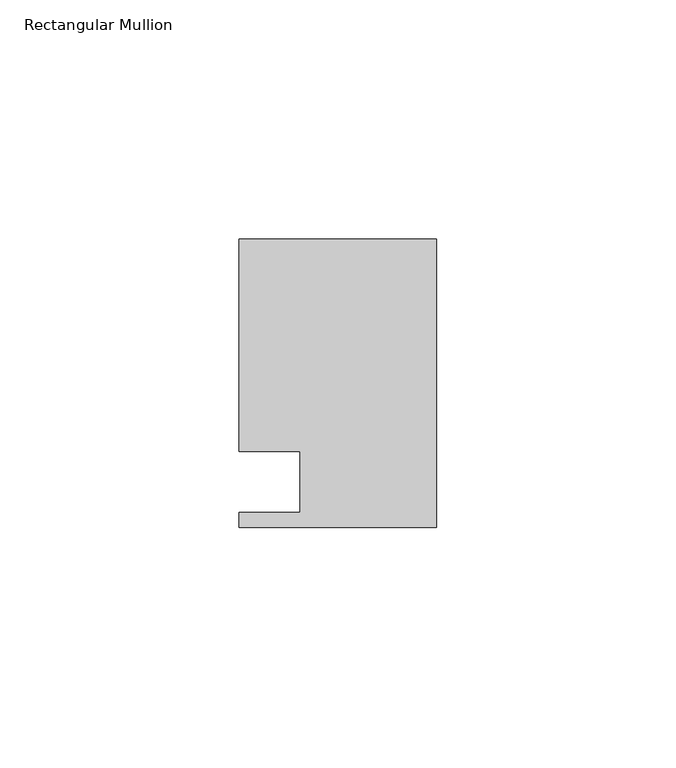
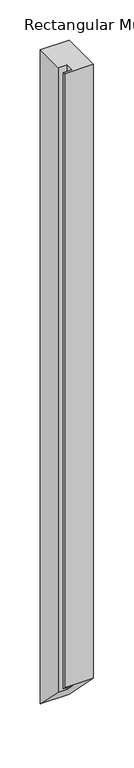
"""IFC4 building model written with IfcOpenShell, lengths in millimetres: member geometry, Rectangular Mullion."""

from ifc_helpers import new_model, si_unit, origin, place, context, project, spatial, faceted_brep, source, transform, mapped, element, save


def rectangular_mullion_6adfa5a4(model_context):
    return source(origin(), model_context, "Body", "Brep", [
        faceted_brep([(0.0, 30.1625, 0.0), (-41.275, 30.1625, 0.0), (-41.275, -14.2875, 0.0), (-28.575, -14.2875, 0.0), (-28.575, -26.9875, 0.0), (-41.275, -26.9875, 0.0), (-41.275, -30.1625, 0.0), (0.0, -30.1625, 0.0), (0.0, 30.1625, -990.6), (-41.275, 30.1625, -990.6), (-41.275, -14.2875, -946.15), (-28.575, -14.2875, -946.15), (-28.575, -26.9875, -933.45), (-41.275, -26.9875, -933.45), (-41.275, -30.1625, -930.275), (0.0, -30.1625, -930.275)], [[[0, 1, 2, 3, 4, 5, 6, 7]], [[1, 0, 8, 9]], [[2, 1, 9, 10]], [[3, 2, 10, 11]], [[4, 3, 11, 12]], [[5, 4, 12, 13]], [[6, 5, 13, 14]], [[7, 6, 14, 15]], [[0, 7, 15, 8]], [[8, 15, 14, 13, 12, 11, 10, 9]]]),
    ])


if __name__ == "__main__":
    model = new_model("IFC4")
    model_context = context("Model", 3, world=origin())
    ifc_project = project(units=[si_unit("LENGTHUNIT", "METRE", prefix="MILLI")], contexts=[model_context])
    site = spatial("IfcSite", under=ifc_project)
    building = spatial("IfcBuilding", under=site)
    placement = place(None, origin())
    rectangular_mullion_shape = rectangular_mullion_6adfa5a4(model_context)
    element("IfcMember", 1, ObjectType="Rectangular Mullion", at=placement, inside=building, context=model_context, shape_type="MappedRepresentation", body=[
        mapped(rectangular_mullion_shape, transform((0.0, 0.0, 0.0), x_axis=(1.0, 0.0, 0.0), y_axis=(0.0, 1.0, 0.0), z_axis=(0.0, 0.0, 1.0))),
    ])
    save(model, "model.ifc")
